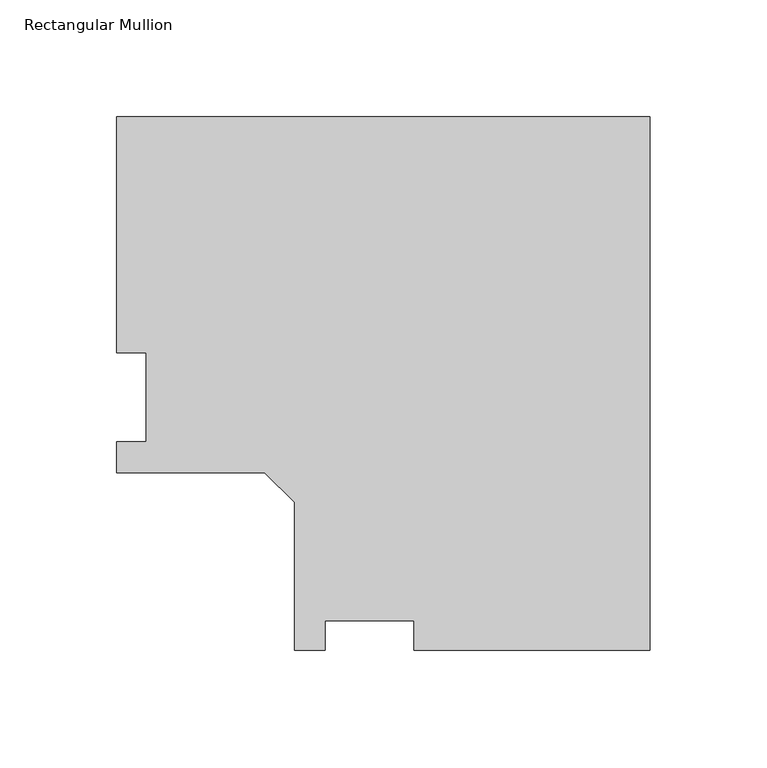
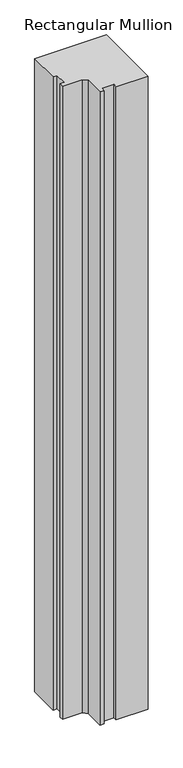
"""IFC4 building model written with IfcOpenShell, lengths in millimetres: member geometry, Rectangular Mullion."""

from ifc_helpers import new_model, si_unit, frame, origin, place, context, project, spatial, polyline, outline, extrude, source, transform, mapped, element, save


def rectangular_mullion_98352f00(model_context):
    return source(origin(), model_context, "Body", "SweptSolid", [
        extrude(outline(polyline([(-228.6762, 152.4896938), (0.0, 152.4896937), (0.0, -76.1865062), (-101.1936, -76.1865062), (-101.1936, -63.4865063), (-139.2936, -63.4865063), (-139.2936, -76.1865062), (-152.4762, -76.1865062), (-152.4762, -12.6865062), (-165.1762, 0.0134938), (-228.6762, 0.0134938), (-228.6762, 13.1960938), (-215.9762, 13.1960938), (-215.9762, 51.2960937), (-228.6762, 51.2960937), (-228.6762, 152.4896938)])), frame((0.0, 0.0, -2133.6), z_axis=(0.0, 0.0, 1.0), x_axis=(1.0, 0.0, 0.0)), (0.0, 0.0, 1.0), 2133.6),
    ])


if __name__ == "__main__":
    model = new_model("IFC4")
    model_context = context("Model", 3, world=origin())
    ifc_project = project(units=[si_unit("LENGTHUNIT", "METRE", prefix="MILLI")], contexts=[model_context])
    site = spatial("IfcSite", under=ifc_project)
    building = spatial("IfcBuilding", under=site)
    placement = place(None, origin())
    rectangular_mullion_shape = rectangular_mullion_98352f00(model_context)
    element("IfcMember", 1, ObjectType="Rectangular Mullion", at=placement, inside=building, context=model_context, shape_type="MappedRepresentation", body=[
        mapped(rectangular_mullion_shape, transform((0.0, 0.0, 0.0), x_axis=(1.0, 0.0, 0.0), y_axis=(0.0, 1.0, 0.0), z_axis=(0.0, 0.0, 1.0))),
    ])
    save(model, "model.ifc")
